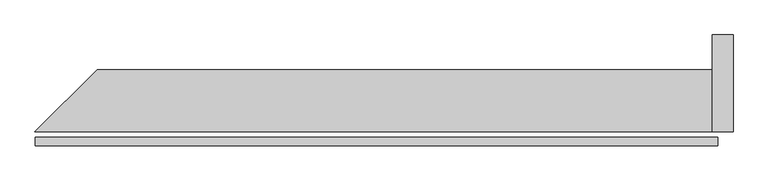
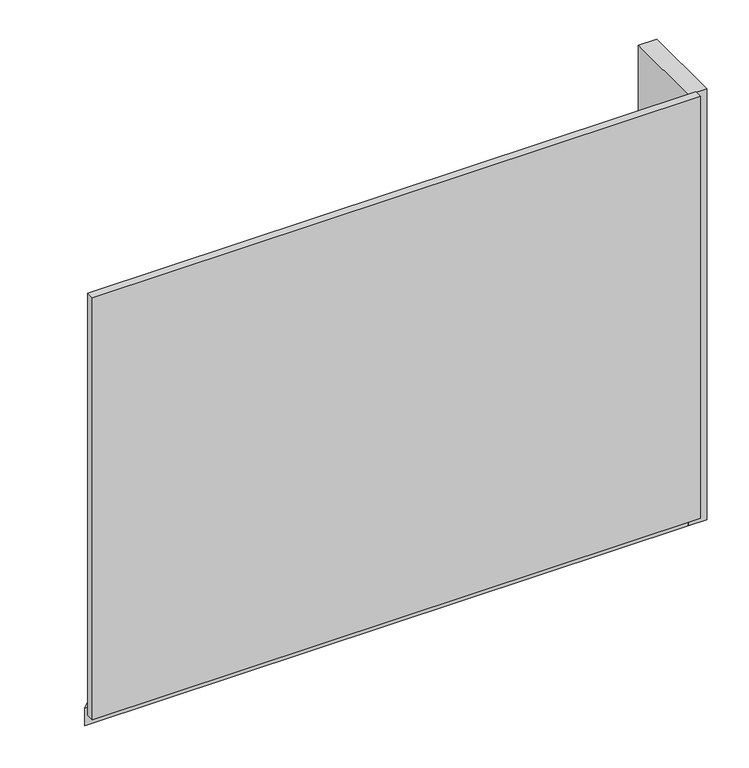
"""IFC4 building model written with IfcOpenShell, lengths in millimetres: plate geometry."""

from ifc_helpers import new_model, si_unit, frame, origin, origin_with_axes, place, context, project, spatial, polyline, outline, extrude, source, transform, mapped, element, save


def plate_7a7b365b(model_context):
    return source(origin(), model_context, "Body", "SweptSolid", [
        extrude(outline(polyline([(986.5, 0.0), (-986.5, 0.0), (-986.5, 25.0), (986.5, 25.0), (986.5, 0.0)])), origin_with_axes(), (0.0, 0.0, 1.0), 1447.534293),
        extrude(outline(polyline([(971.5, 221.0), (971.5, 41.0), (-987.0735931, 41.0), (-807.0735931, 221.0), (971.5, 221.0)])), frame((0.0, 0.0, -45.0), z_axis=(0.0, 0.0, 1.0), x_axis=(1.0, 0.0, 0.0)), (0.0, 0.0, 1.0), 60.0),
        extrude(outline(polyline([(1031.5, 41.0), (971.5, 41.0), (971.5, 321.0), (1031.5, 321.0), (1031.5, 41.0)])), frame((0.0, 0.0, -45.0), z_axis=(0.0, 0.0, 1.0), x_axis=(1.0, 0.0, 0.0)), (0.0, 0.0, 1.0), 1477.534293),
    ])


if __name__ == "__main__":
    model = new_model("IFC4")
    model_context = context("Model", 3, world=origin())
    ifc_project = project(units=[si_unit("LENGTHUNIT", "METRE", prefix="MILLI")], contexts=[model_context])
    site = spatial("IfcSite", under=ifc_project)
    building = spatial("IfcBuilding", under=site)
    placement = place(None, origin())
    plate_shape = plate_7a7b365b(model_context)
    element("IfcPlate", 1, at=placement, inside=building, context=model_context, shape_type="MappedRepresentation", body=[
        mapped(plate_shape, transform((0.0, 0.0, 0.0), x_axis=(1.0, 0.0, 0.0), y_axis=(0.0, 1.0, 0.0), z_axis=(0.0, 0.0, 1.0))),
    ])
    save(model, "model.ifc")
